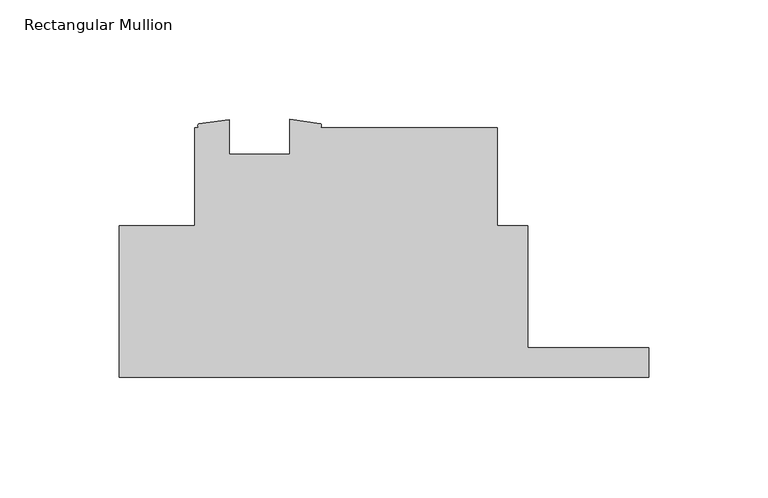
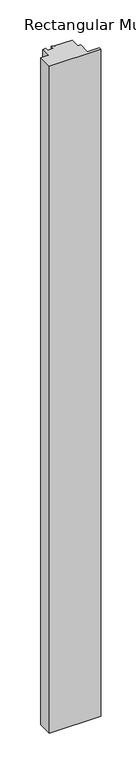
"""IFC4 building model written with IfcOpenShell, lengths in millimetres: member geometry, Rectangular Mullion."""

from ifc_helpers import new_model, si_unit, point, frame, frame_2d, origin, place, context, project, spatial, polyline, circle_curve, trimmed, segment, composite_curve, outline, extrude, source, transform, mapped, element, save


def rectangular_mullion_7dd22924(model_context):
    return source(origin(), model_context, "Body", "SweptSolid", [
        extrude(outline(composite_curve([segment(polyline([(-222.2499999, 63.5254), (-190.5010309, 63.5254), (-190.5010309, 104.7749997), (-188.7687934, 104.7749997)]), True, "CONTINUOUS"), segment(trimmed(circle_curve(frame_2d((-188.3139666, 105.5679478)), 0.9141303), [point((-188.7687934, 104.7749997))], [point((-188.7687934, 106.3608959))], False, "CARTESIAN"), True, "CONTINUOUS"), segment(polyline([(-188.7687934, 106.3608959), (-176.0972849, 108.1568578), (-176.0972849, 93.6550457), (-150.6972849, 93.6550457), (-150.6972849, 108.3090208), (-137.8244531, 106.4384041)]), True, "CONTINUOUS"), segment(trimmed(circle_curve(frame_2d((-138.3449407, 105.6067019)), 0.9811401), [point((-137.8244531, 106.4384041))], [point((-137.8244531, 104.7749997))], False, "CARTESIAN"), True, "CONTINUOUS"), segment(polyline([(-137.8244531, 104.7749997), (-63.5010309, 104.7749997), (-63.5010309, 63.5322656), (-50.8, 63.5322656), (-50.8, 12.319), (0.0, 12.319), (0.0, 0.0322656), (-222.2499999, 0.0322656), (-222.2499999, 63.5254)]), True, "CONTINUOUS")], self_intersect=False)), frame((0.0, 0.0, -3048.0), z_axis=(0.0, 0.0, 1.0), x_axis=(1.0, 0.0, 0.0)), (0.0, 0.0, 1.0), 3048.0),
    ])


if __name__ == "__main__":
    model = new_model("IFC4")
    model_context = context("Model", 3, world=origin())
    ifc_project = project(units=[si_unit("LENGTHUNIT", "METRE", prefix="MILLI")], contexts=[model_context])
    site = spatial("IfcSite", under=ifc_project)
    building = spatial("IfcBuilding", under=site)
    placement = place(None, origin())
    rectangular_mullion_shape = rectangular_mullion_7dd22924(model_context)
    element("IfcMember", 1, ObjectType="Rectangular Mullion", at=placement, inside=building, context=model_context, shape_type="MappedRepresentation", body=[
        mapped(rectangular_mullion_shape, transform((0.0, 0.0, 0.0), x_axis=(1.0, 0.0, 0.0), y_axis=(0.0, 1.0, 0.0), z_axis=(0.0, 0.0, 1.0))),
    ])
    save(model, "model.ifc")
